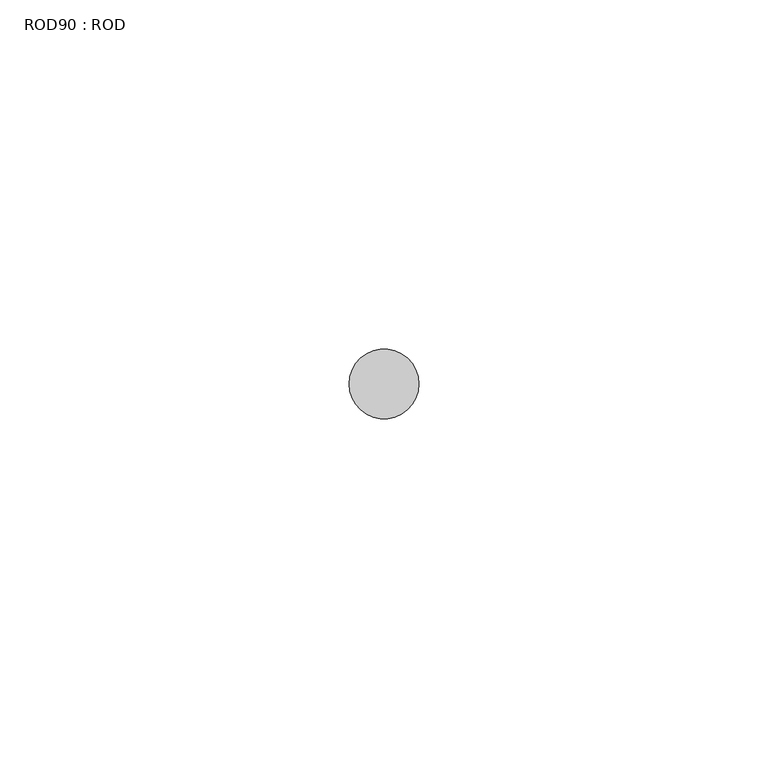
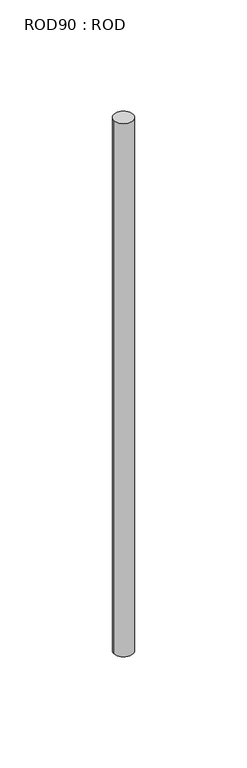
"""IFC4 building model written with IfcOpenShell, lengths in millimetres: proxy geometry, ROD90 : ROD."""

from ifc_helpers import new_model, si_unit, point, frame, frame_2d, origin, place, context, project, spatial, circle_curve, trimmed, segment, composite_curve, outline, extrude, source, transform, mapped, element, save


def rod90_rod_864b8f48(model_context):
    return source(origin(), model_context, "Body", "SweptSolid", [
        extrude(outline(composite_curve([segment(trimmed(circle_curve(frame_2d((-8520.2326676, -12414.6300853)), 5.0), [point((-8525.2326676, -12414.6300853))], [point((-8515.2326676, -12414.6300853))], False, "CARTESIAN"), True, "CONTINUOUS"), segment(trimmed(circle_curve(frame_2d((-8520.2326676, -12414.6300853)), 5.0), [point((-8515.2326676, -12414.6300853))], [point((-8525.2326676, -12414.6300853))], False, "CARTESIAN"), True, "CONTINUOUS")], self_intersect=False)), frame((0.0, 0.0, -208.6608845), z_axis=(0.0, 0.0, 1.0), x_axis=(1.0, 0.0, 0.0)), (0.0, 0.0, 1.0), 298.9028972),
    ])


if __name__ == "__main__":
    model = new_model("IFC4")
    model_context = context("Model", 3, world=origin())
    ifc_project = project(units=[si_unit("LENGTHUNIT", "METRE", prefix="MILLI")], contexts=[model_context])
    site = spatial("IfcSite", under=ifc_project)
    building = spatial("IfcBuilding", under=site)
    placement = place(None, origin())
    rod90_rod_shape = rod90_rod_864b8f48(model_context)
    element("IfcBuildingElementProxy", 1, Name="ROD90 : ROD", ObjectType="ROD90 : ROD", at=placement, inside=building, context=model_context, shape_type="MappedRepresentation", body=[
        mapped(rod90_rod_shape, transform((0.0, 0.0, 0.0), x_axis=(1.0, 0.0, 0.0), y_axis=(0.0, 1.0, 0.0), z_axis=(0.0, 0.0, 1.0))),
    ])
    save(model, "model.ifc")
